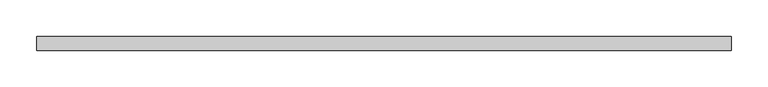
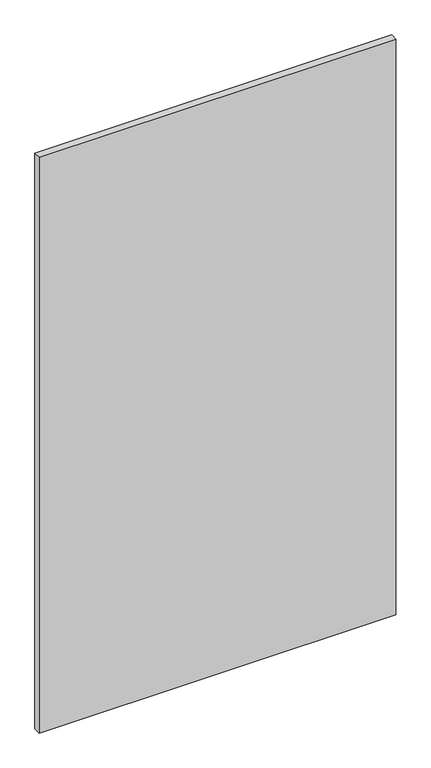
"""IFC4 building model written with IfcOpenShell, lengths in millimetres: plate geometry."""

from ifc_helpers import new_model, si_unit, origin, origin_with_axes, place, context, project, spatial, polyline, outline, extrude, source, transform, mapped, element, save


def plate_147c170f(model_context):
    return source(origin(), model_context, "Body", "SweptSolid", [
        extrude(outline(polyline([(474.4763428, -9.525), (-474.4763428, -9.525), (-474.4763428, 9.525), (474.4763428, 9.525), (474.4763428, -9.525)])), origin_with_axes(), (0.0, 0.0, 1.0), 1618.8912252),
    ])


if __name__ == "__main__":
    model = new_model("IFC4")
    model_context = context("Model", 3, world=origin())
    ifc_project = project(units=[si_unit("LENGTHUNIT", "METRE", prefix="MILLI")], contexts=[model_context])
    site = spatial("IfcSite", under=ifc_project)
    building = spatial("IfcBuilding", under=site)
    placement = place(None, origin())
    plate_shape = plate_147c170f(model_context)
    element("IfcPlate", 1, at=placement, inside=building, context=model_context, shape_type="MappedRepresentation", body=[
        mapped(plate_shape, transform((0.0, 0.0, 0.0), x_axis=(1.0, 0.0, 0.0), y_axis=(0.0, 1.0, 0.0), z_axis=(0.0, 0.0, 1.0))),
    ])
    save(model, "model.ifc")
